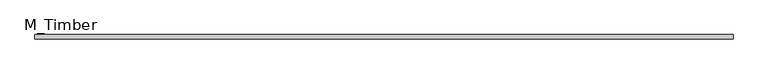
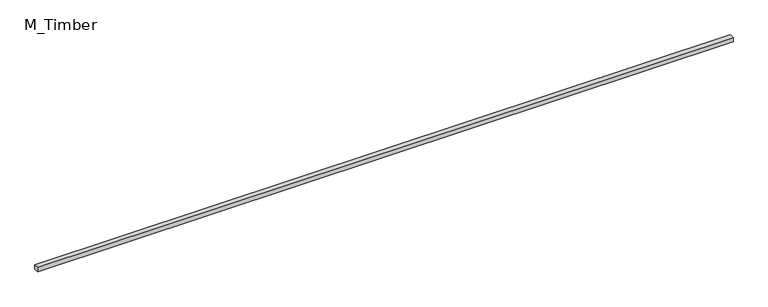
"""IFC4 building model written with IfcOpenShell, lengths in millimetres: beam geometry, M_Timber."""

import ifcopenshell
import ifcopenshell.guid

model = None  # the IFC model being written
_history = None  # IfcOwnerHistory: only IFC2X3 demands one
_inside = {}  # id of a spatial element -> (the spatial element, [elements in it])
_under = {}  # id of a project, library or spatial element -> (it, [spatial elements below it])
_declared = {}  # id of a project -> (the project, [libraries it declares])
_typed = {}  # id of a type object -> (the type object, [elements of that type])
_made_of = {}  # id of a material, layer set ... -> (it, [elements and type objects made of it])


def new_model(schema):
    """Start an empty IFC model of exactly this schema.

    Asked for "IFC4X3", IfcOpenShell would pick the latest addendum, in which some entities
    have other attributes; the version numbers below select the first issue.
    IFC2X3 requires an IfcOwnerHistory on every rooted entity: one is made here for all.
    """
    global model, _history
    if schema == "IFC4X3":
        model = ifcopenshell.file(schema_version=(4, 3, 0, 0))
    else:
        model = ifcopenshell.file(schema=schema)
    _inside.clear()
    _under.clear()
    _declared.clear()
    _typed.clear()
    _made_of.clear()
    _history = None
    if model.schema == "IFC2X3":
        org = make("IfcOrganization", Name="unknown")
        user = make(
            "IfcPersonAndOrganization",
            ThePerson=make("IfcPerson", FamilyName="unknown"),
            TheOrganization=org,
        )
        app = make(
            "IfcApplication",
            ApplicationDeveloper=org,
            Version="unknown",
            ApplicationFullName="unknown",
            ApplicationIdentifier="unknown",
        )
        _history = make(
            "IfcOwnerHistory",
            OwningUser=user,
            OwningApplication=app,
            ChangeAction="ADDED",
            CreationDate=0,
        )
    return model


def make(cls, **values):
    """One entity of the class cls with the attributes given. An attribute that is None is left unset."""
    return model.create_entity(
        cls, **{name: value for name, value in values.items() if value is not None}
    )


def rooted(cls, **values):
    """An entity with a GlobalId (a new one), such as an element, a storey or a relation."""
    return make(cls, GlobalId=ifcopenshell.guid.new(), OwnerHistory=_history, **values)


def si_unit(unit_type, name, prefix=None):
    """IfcSIUnit, for example si_unit("LENGTHUNIT", "METRE", prefix="MILLI")."""
    return make("IfcSIUnit", UnitType=unit_type, Prefix=prefix, Name=name)


def assignment(units):
    """IfcUnitAssignment: the units of a project."""
    return None if units is None else make("IfcUnitAssignment", Units=units)


def point(xyz):
    """IfcCartesianPoint."""
    return None if xyz is None else make("IfcCartesianPoint", Coordinates=xyz)


def direction(xyz):
    """IfcDirection."""
    return None if xyz is None else make("IfcDirection", DirectionRatios=xyz)


def frame(location, z_axis=None, x_axis=None):
    """IfcAxis2Placement3D, a coordinate frame: its origin and axes. An axis left out is left unset."""
    return make(
        "IfcAxis2Placement3D",
        Location=point(location),
        Axis=direction(z_axis),
        RefDirection=direction(x_axis),
    )


def origin():
    """The frame at (0, 0, 0) with its axes left unset."""
    return frame((0.0, 0.0, 0.0))


def place(relative_to, where):
    """IfcLocalPlacement: puts the frame where relative to a parent placement (None: the world)."""
    return make(
        "IfcLocalPlacement", PlacementRelTo=relative_to, RelativePlacement=where
    )


def context(
    kind, dimensions, precision=None, world=None, true_north=None, identifier=None
):
    """IfcGeometricRepresentationContext, for example the 3D "Model" context."""
    return make(
        "IfcGeometricRepresentationContext",
        ContextIdentifier=identifier,
        ContextType=kind,
        CoordinateSpaceDimension=dimensions,
        Precision=precision,
        WorldCoordinateSystem=world,
        TrueNorth=true_north,
    )


def project(units=None, contexts=None):
    """IfcProject with its units and contexts."""
    return rooted(
        "IfcProject",
        Name="project",
        RepresentationContexts=contexts,
        UnitsInContext=assignment(units),
    )


def spatial(cls, under=None, at=None, **own):
    """A site, building, storey or space (cls), placed at a placement, below another one or the project."""
    s = rooted(cls, ObjectPlacement=at, **own)
    if under is not None:
        _under.setdefault(under.id(), (under, []))[1].append(s)
    return s


def polyline(points):
    """IfcPolyline through the points."""
    return make("IfcPolyline", Points=[point(p) for p in points])


def outline(outer, holes=None, kind="AREA"):
    """IfcArbitraryClosedProfileDef: a profile drawn as a closed curve; with holes, ...WithVoids."""
    if holes is None:
        return make("IfcArbitraryClosedProfileDef", ProfileType=kind, OuterCurve=outer)
    return make(
        "IfcArbitraryProfileDefWithVoids",
        ProfileType=kind,
        OuterCurve=outer,
        InnerCurves=holes,
    )


def extrude(swept, where, along, depth):
    """IfcExtrudedAreaSolid: the profile swept, set in the frame where, extruded along a direction by depth."""
    return make(
        "IfcExtrudedAreaSolid",
        SweptArea=swept,
        Position=where,
        ExtrudedDirection=direction(along),
        Depth=depth,
    )


def shape(context_of_items, identifier, shape_type, items):
    """IfcShapeRepresentation: the items that make up one representation, for example the "Body"."""
    return make(
        "IfcShapeRepresentation",
        ContextOfItems=context_of_items,
        RepresentationIdentifier=identifier,
        RepresentationType=shape_type,
        Items=items,
    )


def source(mapping_origin, context_of_items, identifier, shape_type, items):
    """IfcRepresentationMap: a shape defined once, which mapped items show again and again."""
    return make(
        "IfcRepresentationMap",
        MappingOrigin=mapping_origin,
        MappedRepresentation=shape(context_of_items, identifier, shape_type, items),
    )


def transform(
    local_origin,
    x_axis=None,
    y_axis=None,
    z_axis=None,
    scale=None,
    scale2=None,
    scale3=None,
    uniform=True,
):
    """IfcCartesianTransformationOperator3D, or its non-uniform kind. x_axis, y_axis, z_axis: its Axis1, 2, 3."""
    if uniform:
        return make(
            "IfcCartesianTransformationOperator3D",
            Axis1=direction(x_axis),
            Axis2=direction(y_axis),
            LocalOrigin=point(local_origin),
            Scale=scale,
            Axis3=direction(z_axis),
        )
    return make(
        "IfcCartesianTransformationOperator3DnonUniform",
        Axis1=direction(x_axis),
        Axis2=direction(y_axis),
        LocalOrigin=point(local_origin),
        Scale=scale,
        Axis3=direction(z_axis),
        Scale2=scale2,
        Scale3=scale3,
    )


def mapped(mapping_source, mapping_target):
    """IfcMappedItem: shows the shape of a source again, moved by a transform."""
    return make(
        "IfcMappedItem", MappingSource=mapping_source, MappingTarget=mapping_target
    )


def made_of(thing, what):
    """Note that an element or type object is made of a material, layer set ...; save() writes the relation."""
    if what is not None:
        _made_of.setdefault(what.id(), (what, []))[1].append(thing)
    return thing


def element(
    cls,
    number,
    at=None,
    inside=None,
    cuts=None,
    type_object=None,
    material=None,
    context=None,
    identifier="Body",
    shape_type=None,
    held_by="IfcProductDefinitionShape",
    body=None,
    shapes=None,
    **own,
):
    """One element of the class cls, such as IfcWall. Its Tag is "e" and its number.

    at: its placement. inside: the storey or other place that contains it. cuts: it is an
    opening in that element (IfcRelVoidsElement). A single representation is given by context,
    identifier, shape_type and body (its items); several are given by shapes. held_by: the class
    of the entity that holds the representations. save() writes the other relations.
    """
    e = rooted(cls, Tag="e%d" % number, ObjectPlacement=at, **own)
    if body is not None:
        shapes = [shape(context, identifier, shape_type, body)]
    if shapes is not None:
        e.Representation = make(held_by, Representations=shapes)
    if inside is not None:
        _inside.setdefault(inside.id(), (inside, []))[1].append(e)
    if cuts is not None:
        rooted(
            "IfcRelVoidsElement", RelatingBuildingElement=cuts, RelatedOpeningElement=e
        )
    if type_object is not None:
        _typed.setdefault(type_object.id(), (type_object, []))[1].append(e)
    return made_of(e, material)


def aggregate(whole, parts):
    """IfcRelAggregates: a whole, such as a stair, and the parts it consists of."""
    return rooted("IfcRelAggregates", RelatingObject=whole, RelatedObjects=parts)


def save(model, path):
    """Write the relations noted so far, then the file.

    IfcRelAggregates (storeys below a building ...), IfcRelContainedInSpatialStructure (elements
    in a storey), IfcRelDefinesByType, IfcRelAssociatesMaterial and IfcRelDeclares: one each for
    every whole, place, type object, material and project.
    """
    for whole, parts in _under.values():
        aggregate(whole, parts)
    for where, things in _inside.values():
        rooted(
            "IfcRelContainedInSpatialStructure",
            RelatedElements=things,
            RelatingStructure=where,
        )
    for kind, things in _typed.values():
        rooted("IfcRelDefinesByType", RelatedObjects=things, RelatingType=kind)
    for what, things in _made_of.values():
        rooted("IfcRelAssociatesMaterial", RelatedObjects=things, RelatingMaterial=what)
    for by, libraries in _declared.values():
        rooted("IfcRelDeclares", RelatingContext=by, RelatedDefinitions=libraries)
    model.write(path)


def m_timber_141b7dd2(model_context):
    return source(origin(), model_context, "Body", "SweptSolid", [
        extrude(outline(polyline([(3073.7035679, 20.0), (3073.7035679, -20.0), (-3073.7035679, -20.0), (-3073.7035679, 20.0), (3073.7035679, 20.0)])), frame((0.0, 0.0, -20.0), z_axis=(0.0, 0.0, 1.0), x_axis=(1.0, 0.0, 0.0)), (0.0, 0.0, 1.0), 40.0),
    ])


if __name__ == "__main__":
    model = new_model("IFC4")
    model_context = context("Model", 3, world=origin())
    ifc_project = project(units=[si_unit("LENGTHUNIT", "METRE", prefix="MILLI")], contexts=[model_context])
    site = spatial("IfcSite", under=ifc_project)
    building = spatial("IfcBuilding", under=site)
    placement = place(None, origin())
    m_timber_shape = m_timber_141b7dd2(model_context)
    element("IfcBeam", 1, ObjectType="M_Timber", at=placement, inside=building, context=model_context, shape_type="MappedRepresentation", body=[
        mapped(m_timber_shape, transform((0.0, 0.0, 0.0), x_axis=(1.0, 0.0, 0.0), y_axis=(0.0, 1.0, 0.0), z_axis=(0.0, 0.0, 1.0))),
    ])
    save(model, "model.ifc")
